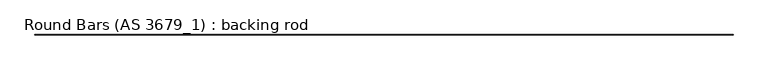
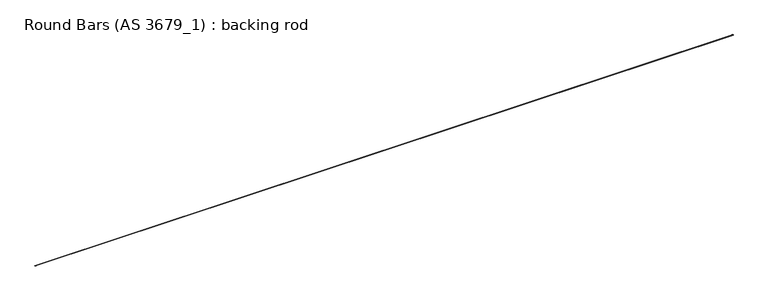
"""IFC4 building model written with IfcOpenShell, lengths in millimetres: beam geometry, Round Bars (AS 3679_1) : backing rod."""

from ifc_helpers import new_model, si_unit, point, frame, origin, origin_2d, place, context, project, spatial, circle_curve, trimmed, segment, composite_curve, outline, extrude, source, transform, mapped, element, save


def round_bars_as_3679_1_backing_rod_b3c1634b(model_context):
    return source(origin(), model_context, "Body", "SweptSolid", [
        extrude(outline(composite_curve([segment(trimmed(circle_curve(origin_2d(), 8.0), [point((-8.0, 0.0))], [point((8.0, 0.0))], False, "CARTESIAN"), True, "CONTINUOUS"), segment(trimmed(circle_curve(origin_2d(), 8.0), [point((8.0, 0.0))], [point((-8.0, 0.0))], False, "CARTESIAN"), True, "CONTINUOUS")], self_intersect=False)), frame((-19500.0, 0.0, 0.0), z_axis=(1.0, 0.0, 0.0), x_axis=(0.0, 1.0, 0.0)), (0.0, 0.0, 1.0), 39000.0),
    ])


if __name__ == "__main__":
    model = new_model("IFC4")
    model_context = context("Model", 3, world=origin())
    ifc_project = project(units=[si_unit("LENGTHUNIT", "METRE", prefix="MILLI")], contexts=[model_context])
    site = spatial("IfcSite", under=ifc_project)
    building = spatial("IfcBuilding", under=site)
    placement = place(None, origin())
    round_bars_as_3679_1_backing_rod_shape = round_bars_as_3679_1_backing_rod_b3c1634b(model_context)
    element("IfcBeam", 1, ObjectType="Round Bars (AS 3679_1) : backing rod", at=placement, inside=building, context=model_context, shape_type="MappedRepresentation", body=[
        mapped(round_bars_as_3679_1_backing_rod_shape, transform((0.0, 0.0, 0.0), x_axis=(1.0, 0.0, 0.0), y_axis=(0.0, 1.0, 0.0), z_axis=(0.0, 0.0, 1.0))),
    ])
    save(model, "model.ifc")
